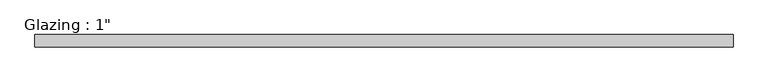
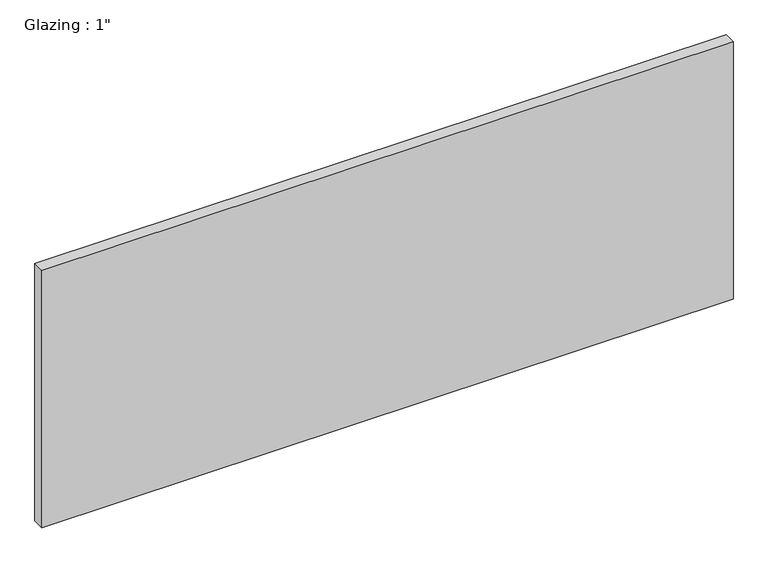
"""IFC4 building model written with IfcOpenShell, lengths in millimetres: plate geometry."""

from ifc_helpers import new_model, si_unit, origin, origin_with_axes, place, context, project, spatial, polyline, outline, extrude, source, transform, mapped, element, save


def plate_06d5a0b8(model_context):
    return source(origin(), model_context, "Body", "SweptSolid", [
        extrude(outline(polyline([(715.3949896, -12.7), (-715.3949896, -12.7), (-715.3949896, 12.7), (715.3949896, 12.7), (715.3949896, -12.7)])), origin_with_axes(), (0.0, 0.0, 1.0), 563.17901),
    ])


if __name__ == "__main__":
    model = new_model("IFC4")
    model_context = context("Model", 3, world=origin())
    ifc_project = project(units=[si_unit("LENGTHUNIT", "METRE", prefix="MILLI")], contexts=[model_context])
    site = spatial("IfcSite", under=ifc_project)
    building = spatial("IfcBuilding", under=site)
    placement = place(None, origin())
    plate_shape = plate_06d5a0b8(model_context)
    element("IfcPlate", 1, ObjectType="Glazing : 1\"", at=placement, inside=building, context=model_context, shape_type="MappedRepresentation", body=[
        mapped(plate_shape, transform((0.0, 0.0, 0.0), x_axis=(1.0, 0.0, 0.0), y_axis=(0.0, 1.0, 0.0), z_axis=(0.0, 0.0, 1.0))),
    ])
    save(model, "model.ifc")
